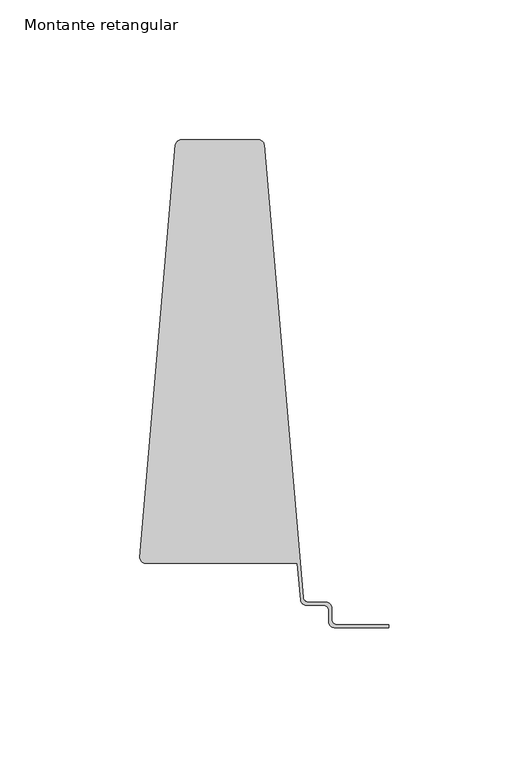
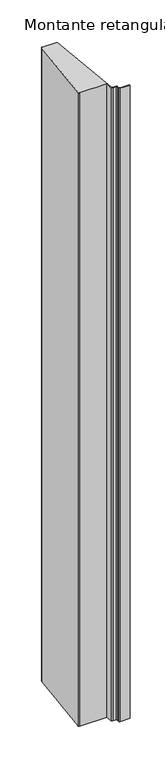
"""IFC4 building model written with IfcOpenShell, lengths in millimetres: member geometry, Montante retangular."""

from ifc_helpers import new_model, si_unit, point, frame, frame_2d, origin, place, context, project, spatial, polyline, circle_curve, trimmed, segment, composite_curve, outline, extrude, source, transform, mapped, element, save


def montante_retangular_ce3c1094(model_context):
    return source(origin(), model_context, "Body", "SweptSolid", [
        extrude(outline(composite_curve([segment(polyline([(-20.5, 10.9945725), (-20.5, 6.9945725)]), True, "CONTINUOUS"), segment(trimmed(circle_curve(frame_2d((-18.5, 6.9945725)), 2.0), [point((-20.5, 6.9945725))], [point((-18.5, 4.9945725))], True, "CARTESIAN"), True, "CONTINUOUS"), segment(polyline([(-18.5, 4.9945725), (0.0, 4.9945725), (0.0, 3.9945725), (-19.5, 3.9945725)]), True, "CONTINUOUS"), segment(trimmed(circle_curve(frame_2d((-19.5, 5.9945725)), 2.0), [point((-19.5, 3.9945725))], [point((-21.5, 5.9945725))], False, "CARTESIAN"), True, "CONTINUOUS"), segment(polyline([(-21.5, 5.9945725), (-21.5, 9.9945725)]), True, "CONTINUOUS"), segment(trimmed(circle_curve(frame_2d((-23.5, 9.9945725)), 2.0), [point((-21.5, 9.9945725))], [point((-23.5, 11.9945725))], True, "CARTESIAN"), True, "CONTINUOUS"), segment(polyline([(-23.5, 11.9945725), (-29.5827706, 11.9945725)]), True, "CONTINUOUS"), segment(trimmed(circle_curve(frame_2d((-29.5827706, 13.9945725)), 2.0), [point((-29.5827706, 11.9945725))], [point((-31.5753292, 13.8222058))], False, "CARTESIAN"), True, "CONTINUOUS"), segment(polyline([(-31.5753292, 13.8222058), (-32.7148073, 26.9945725), (-87.0750832, 26.9945725)]), True, "CONTINUOUS"), segment(trimmed(circle_curve(frame_2d((-87.0750832, 29.0273914)), 2.032819), [point((-87.0750832, 26.9945725))], [point((-89.1003387, 29.2025865))], False, "CARTESIAN"), True, "CONTINUOUS"), segment(polyline([(-89.1003387, 29.2025865), (-76.3513493, 176.5809039)]), True, "CONTINUOUS"), segment(trimmed(circle_curve(frame_2d((-74.3587907, 176.4085372)), 2.0), [point((-76.3513493, 176.5809039))], [point((-74.3587907, 178.4085372))], False, "CARTESIAN"), True, "CONTINUOUS"), segment(polyline([(-74.3587907, 178.4085372), (-46.6436253, 178.4085372)]), True, "CONTINUOUS"), segment(trimmed(circle_curve(frame_2d((-46.6436253, 176.4085372)), 2.0), [point((-46.6436253, 178.4085372))], [point((-44.6510667, 176.5809039))], False, "CARTESIAN"), True, "CONTINUOUS"), segment(polyline([(-44.6510667, 176.5809039), (-30.6580998, 14.8222058)]), True, "CONTINUOUS"), segment(trimmed(circle_curve(frame_2d((-28.6655412, 14.9945725)), 2.0), [point((-30.6580998, 14.8222058))], [point((-28.6655412, 12.9945725))], True, "CARTESIAN"), True, "CONTINUOUS"), segment(polyline([(-28.6655412, 12.9945725), (-22.5, 12.9945725)]), True, "CONTINUOUS"), segment(trimmed(circle_curve(frame_2d((-22.5, 10.9945725)), 2.0), [point((-22.5, 12.9945725))], [point((-20.5, 10.9945725))], False, "CARTESIAN"), True, "CONTINUOUS")], self_intersect=False)), frame((0.0, 0.0, -1333.3333333), z_axis=(0.0, 0.0, 1.0), x_axis=(1.0, 0.0, 0.0)), (0.0, 0.0, 1.0), 1333.3333333),
    ])


if __name__ == "__main__":
    model = new_model("IFC4")
    model_context = context("Model", 3, world=origin())
    ifc_project = project(units=[si_unit("LENGTHUNIT", "METRE", prefix="MILLI")], contexts=[model_context])
    site = spatial("IfcSite", under=ifc_project)
    building = spatial("IfcBuilding", under=site)
    placement = place(None, origin())
    montante_retangular_shape = montante_retangular_ce3c1094(model_context)
    element("IfcMember", 1, ObjectType="Montante retangular", at=placement, inside=building, context=model_context, shape_type="MappedRepresentation", body=[
        mapped(montante_retangular_shape, transform((0.0, 0.0, 0.0), x_axis=(1.0, 0.0, 0.0), y_axis=(0.0, 1.0, 0.0), z_axis=(0.0, 0.0, 1.0))),
    ])
    save(model, "model.ifc")
